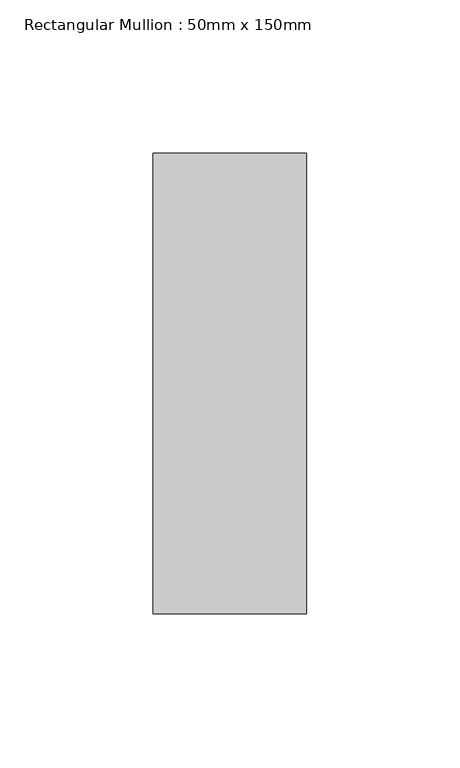
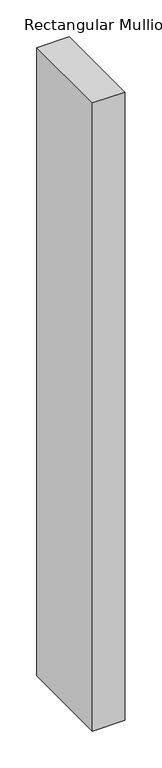
"""IFC4 building model written with IfcOpenShell, lengths in millimetres: member geometry, Rectangular Mullion : 50mm x 150mm."""

import ifcopenshell
import ifcopenshell.guid

model = None  # the IFC model being written
_history = None  # IfcOwnerHistory: only IFC2X3 demands one
_inside = {}  # id of a spatial element -> (the spatial element, [elements in it])
_under = {}  # id of a project, library or spatial element -> (it, [spatial elements below it])
_declared = {}  # id of a project -> (the project, [libraries it declares])
_typed = {}  # id of a type object -> (the type object, [elements of that type])
_made_of = {}  # id of a material, layer set ... -> (it, [elements and type objects made of it])


def new_model(schema):
    """Start an empty IFC model of exactly this schema.

    Asked for "IFC4X3", IfcOpenShell would pick the latest addendum, in which some entities
    have other attributes; the version numbers below select the first issue.
    IFC2X3 requires an IfcOwnerHistory on every rooted entity: one is made here for all.
    """
    global model, _history
    if schema == "IFC4X3":
        model = ifcopenshell.file(schema_version=(4, 3, 0, 0))
    else:
        model = ifcopenshell.file(schema=schema)
    _inside.clear()
    _under.clear()
    _declared.clear()
    _typed.clear()
    _made_of.clear()
    _history = None
    if model.schema == "IFC2X3":
        org = make("IfcOrganization", Name="unknown")
        user = make(
            "IfcPersonAndOrganization",
            ThePerson=make("IfcPerson", FamilyName="unknown"),
            TheOrganization=org,
        )
        app = make(
            "IfcApplication",
            ApplicationDeveloper=org,
            Version="unknown",
            ApplicationFullName="unknown",
            ApplicationIdentifier="unknown",
        )
        _history = make(
            "IfcOwnerHistory",
            OwningUser=user,
            OwningApplication=app,
            ChangeAction="ADDED",
            CreationDate=0,
        )
    return model


def make(cls, **values):
    """One entity of the class cls with the attributes given. An attribute that is None is left unset."""
    return model.create_entity(
        cls, **{name: value for name, value in values.items() if value is not None}
    )


def rooted(cls, **values):
    """An entity with a GlobalId (a new one), such as an element, a storey or a relation."""
    return make(cls, GlobalId=ifcopenshell.guid.new(), OwnerHistory=_history, **values)


def si_unit(unit_type, name, prefix=None):
    """IfcSIUnit, for example si_unit("LENGTHUNIT", "METRE", prefix="MILLI")."""
    return make("IfcSIUnit", UnitType=unit_type, Prefix=prefix, Name=name)


def assignment(units):
    """IfcUnitAssignment: the units of a project."""
    return None if units is None else make("IfcUnitAssignment", Units=units)


def point(xyz):
    """IfcCartesianPoint."""
    return None if xyz is None else make("IfcCartesianPoint", Coordinates=xyz)


def direction(xyz):
    """IfcDirection."""
    return None if xyz is None else make("IfcDirection", DirectionRatios=xyz)


def frame(location, z_axis=None, x_axis=None):
    """IfcAxis2Placement3D, a coordinate frame: its origin and axes. An axis left out is left unset."""
    return make(
        "IfcAxis2Placement3D",
        Location=point(location),
        Axis=direction(z_axis),
        RefDirection=direction(x_axis),
    )


def origin():
    """The frame at (0, 0, 0) with its axes left unset."""
    return frame((0.0, 0.0, 0.0))


def place(relative_to, where):
    """IfcLocalPlacement: puts the frame where relative to a parent placement (None: the world)."""
    return make(
        "IfcLocalPlacement", PlacementRelTo=relative_to, RelativePlacement=where
    )


def context(
    kind, dimensions, precision=None, world=None, true_north=None, identifier=None
):
    """IfcGeometricRepresentationContext, for example the 3D "Model" context."""
    return make(
        "IfcGeometricRepresentationContext",
        ContextIdentifier=identifier,
        ContextType=kind,
        CoordinateSpaceDimension=dimensions,
        Precision=precision,
        WorldCoordinateSystem=world,
        TrueNorth=true_north,
    )


def project(units=None, contexts=None):
    """IfcProject with its units and contexts."""
    return rooted(
        "IfcProject",
        Name="project",
        RepresentationContexts=contexts,
        UnitsInContext=assignment(units),
    )


def spatial(cls, under=None, at=None, **own):
    """A site, building, storey or space (cls), placed at a placement, below another one or the project."""
    s = rooted(cls, ObjectPlacement=at, **own)
    if under is not None:
        _under.setdefault(under.id(), (under, []))[1].append(s)
    return s


def polyline(points):
    """IfcPolyline through the points."""
    return make("IfcPolyline", Points=[point(p) for p in points])


def outline(outer, holes=None, kind="AREA"):
    """IfcArbitraryClosedProfileDef: a profile drawn as a closed curve; with holes, ...WithVoids."""
    if holes is None:
        return make("IfcArbitraryClosedProfileDef", ProfileType=kind, OuterCurve=outer)
    return make(
        "IfcArbitraryProfileDefWithVoids",
        ProfileType=kind,
        OuterCurve=outer,
        InnerCurves=holes,
    )


def extrude(swept, where, along, depth):
    """IfcExtrudedAreaSolid: the profile swept, set in the frame where, extruded along a direction by depth."""
    return make(
        "IfcExtrudedAreaSolid",
        SweptArea=swept,
        Position=where,
        ExtrudedDirection=direction(along),
        Depth=depth,
    )


def shape(context_of_items, identifier, shape_type, items):
    """IfcShapeRepresentation: the items that make up one representation, for example the "Body"."""
    return make(
        "IfcShapeRepresentation",
        ContextOfItems=context_of_items,
        RepresentationIdentifier=identifier,
        RepresentationType=shape_type,
        Items=items,
    )


def source(mapping_origin, context_of_items, identifier, shape_type, items):
    """IfcRepresentationMap: a shape defined once, which mapped items show again and again."""
    return make(
        "IfcRepresentationMap",
        MappingOrigin=mapping_origin,
        MappedRepresentation=shape(context_of_items, identifier, shape_type, items),
    )


def transform(
    local_origin,
    x_axis=None,
    y_axis=None,
    z_axis=None,
    scale=None,
    scale2=None,
    scale3=None,
    uniform=True,
):
    """IfcCartesianTransformationOperator3D, or its non-uniform kind. x_axis, y_axis, z_axis: its Axis1, 2, 3."""
    if uniform:
        return make(
            "IfcCartesianTransformationOperator3D",
            Axis1=direction(x_axis),
            Axis2=direction(y_axis),
            LocalOrigin=point(local_origin),
            Scale=scale,
            Axis3=direction(z_axis),
        )
    return make(
        "IfcCartesianTransformationOperator3DnonUniform",
        Axis1=direction(x_axis),
        Axis2=direction(y_axis),
        LocalOrigin=point(local_origin),
        Scale=scale,
        Axis3=direction(z_axis),
        Scale2=scale2,
        Scale3=scale3,
    )


def mapped(mapping_source, mapping_target):
    """IfcMappedItem: shows the shape of a source again, moved by a transform."""
    return make(
        "IfcMappedItem", MappingSource=mapping_source, MappingTarget=mapping_target
    )


def made_of(thing, what):
    """Note that an element or type object is made of a material, layer set ...; save() writes the relation."""
    if what is not None:
        _made_of.setdefault(what.id(), (what, []))[1].append(thing)
    return thing


def element(
    cls,
    number,
    at=None,
    inside=None,
    cuts=None,
    type_object=None,
    material=None,
    context=None,
    identifier="Body",
    shape_type=None,
    held_by="IfcProductDefinitionShape",
    body=None,
    shapes=None,
    **own,
):
    """One element of the class cls, such as IfcWall. Its Tag is "e" and its number.

    at: its placement. inside: the storey or other place that contains it. cuts: it is an
    opening in that element (IfcRelVoidsElement). A single representation is given by context,
    identifier, shape_type and body (its items); several are given by shapes. held_by: the class
    of the entity that holds the representations. save() writes the other relations.
    """
    e = rooted(cls, Tag="e%d" % number, ObjectPlacement=at, **own)
    if body is not None:
        shapes = [shape(context, identifier, shape_type, body)]
    if shapes is not None:
        e.Representation = make(held_by, Representations=shapes)
    if inside is not None:
        _inside.setdefault(inside.id(), (inside, []))[1].append(e)
    if cuts is not None:
        rooted(
            "IfcRelVoidsElement", RelatingBuildingElement=cuts, RelatedOpeningElement=e
        )
    if type_object is not None:
        _typed.setdefault(type_object.id(), (type_object, []))[1].append(e)
    return made_of(e, material)


def aggregate(whole, parts):
    """IfcRelAggregates: a whole, such as a stair, and the parts it consists of."""
    return rooted("IfcRelAggregates", RelatingObject=whole, RelatedObjects=parts)


def save(model, path):
    """Write the relations noted so far, then the file.

    IfcRelAggregates (storeys below a building ...), IfcRelContainedInSpatialStructure (elements
    in a storey), IfcRelDefinesByType, IfcRelAssociatesMaterial and IfcRelDeclares: one each for
    every whole, place, type object, material and project.
    """
    for whole, parts in _under.values():
        aggregate(whole, parts)
    for where, things in _inside.values():
        rooted(
            "IfcRelContainedInSpatialStructure",
            RelatedElements=things,
            RelatingStructure=where,
        )
    for kind, things in _typed.values():
        rooted("IfcRelDefinesByType", RelatedObjects=things, RelatingType=kind)
    for what, things in _made_of.values():
        rooted("IfcRelAssociatesMaterial", RelatedObjects=things, RelatingMaterial=what)
    for by, libraries in _declared.values():
        rooted("IfcRelDeclares", RelatingContext=by, RelatedDefinitions=libraries)
    model.write(path)


def rectangular_mullion_50mm_x_150mm_220daeeb(model_context):
    return source(origin(), model_context, "Body", "SweptSolid", [
        extrude(outline(polyline([(25.0, 75.0), (25.0, -75.0), (-25.0, -75.0), (-25.0, 75.0), (25.0, 75.0)])), frame((0.0, 0.0, -1036.5789476), z_axis=(0.0, 0.0, 1.0), x_axis=(1.0, 0.0, 0.0)), (0.0, 0.0, 1.0), 1036.5789476),
    ])


if __name__ == "__main__":
    model = new_model("IFC4")
    model_context = context("Model", 3, world=origin())
    ifc_project = project(units=[si_unit("LENGTHUNIT", "METRE", prefix="MILLI")], contexts=[model_context])
    site = spatial("IfcSite", under=ifc_project)
    building = spatial("IfcBuilding", under=site)
    placement = place(None, origin())
    rectangular_mullion_50mm_x_150mm_shape = rectangular_mullion_50mm_x_150mm_220daeeb(model_context)
    element("IfcMember", 1, ObjectType="Rectangular Mullion : 50mm x 150mm", at=placement, inside=building, context=model_context, shape_type="MappedRepresentation", body=[
        mapped(rectangular_mullion_50mm_x_150mm_shape, transform((0.0, 0.0, 0.0), x_axis=(1.0, 0.0, 0.0), y_axis=(0.0, 1.0, 0.0), z_axis=(0.0, 0.0, 1.0))),
    ])
    save(model, "model.ifc")
